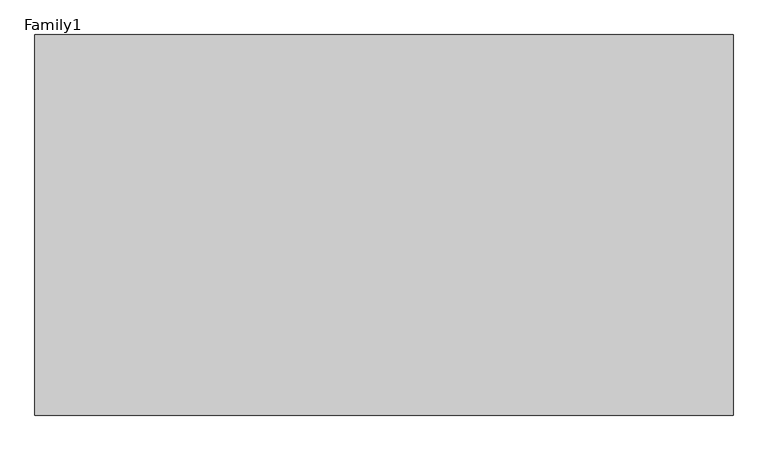
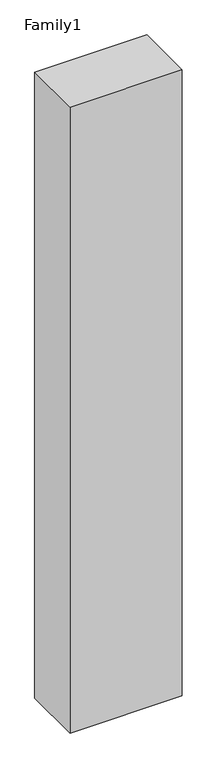
"""IFC4 building model written with IfcOpenShell, lengths in millimetres: proxy geometry, Family1."""

from ifc_helpers import new_model, si_unit, origin, origin_with_axes, place, context, project, spatial, polyline, outline, extrude, source, transform, mapped, element, save


def family1_b5d88c79(model_context):
    return source(origin(), model_context, "Body", "SweptSolid", [
        extrude(outline(polyline([(5500.0, 0.0), (0.0, 0.0), (0.0, 3000.0), (5500.0, 3000.0), (5500.0, 0.0)])), origin_with_axes(), (0.0, 0.0, 1.0), 32470.0),
    ])


if __name__ == "__main__":
    model = new_model("IFC4")
    model_context = context("Model", 3, world=origin())
    ifc_project = project(units=[si_unit("LENGTHUNIT", "METRE", prefix="MILLI")], contexts=[model_context])
    site = spatial("IfcSite", under=ifc_project)
    building = spatial("IfcBuilding", under=site)
    placement = place(None, origin())
    family1_shape = family1_b5d88c79(model_context)
    element("IfcBuildingElementProxy", 1, Name="Family1", ObjectType="Family1", at=placement, inside=building, context=model_context, shape_type="MappedRepresentation", body=[
        mapped(family1_shape, transform((0.0, 0.0, 0.0), x_axis=(1.0, 0.0, 0.0), y_axis=(0.0, 1.0, 0.0), z_axis=(0.0, 0.0, 1.0))),
    ])
    save(model, "model.ifc")
